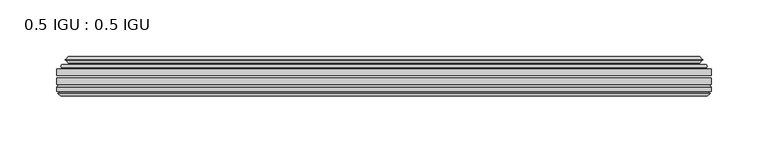
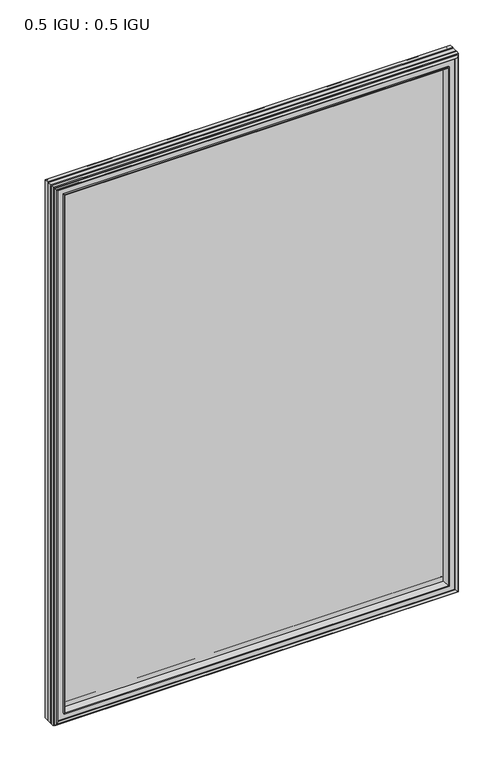
"""IFC4 building model written with IfcOpenShell, lengths in millimetres: plate geometry, 0.5 IGU : 0.5 IGU."""

from ifc_helpers import new_model, si_unit, frame, origin, place, context, project, spatial, polyline, ellipse_curve, outline, extrude, faceted_brep, source, transform, mapped, element, save
from ifc_brep_helpers import plane_surface, cylinder_surface, revolved_surface, advanced_brep


def plate_0_5_igu_0_5_igu_cc2ec8ab(model_context):
    return source(origin(), model_context, "Body", "SolidModel", [
        extrude(outline(polyline([(287.351675, -55.82285), (287.351675, -61.48705), (-287.3375, -61.48705), (-287.3375, -55.82285), (287.351675, -55.82285)])), frame((0.0, 0.0, -14.2875), z_axis=(0.0, 0.0, 1.0), x_axis=(1.0, 0.0, 0.0)), (0.0, 0.0, 1.0), 806.4537979),
        extrude(outline(polyline([(-287.3375, -69.05625), (-287.3375, -63.39205), (287.351675, -63.39205), (287.351675, -69.05625), (-287.3375, -69.05625)])), frame((0.0, 0.0, -14.2875), z_axis=(0.0, 0.0, 1.0), x_axis=(1.0, 0.0, 0.0)), (0.0, 0.0, 1.0), 806.4537979),
        advanced_brep(
        [(-283.2349626, -54.3724927, 788.0599626), (-282.1904378, -51.60645, 787.0154378), (-282.1904378, -51.60645, -9.1404378), (-283.2349626, -54.3724927, -10.1849626), (-281.598517, -55.82285, 786.423517), (-281.598517, -55.82285, -8.548517), (-273.05, -45.63745, 777.875), (-269.4672761, -55.82285, 774.2922761), (-269.4672761, -55.82285, 3.5827239), (-273.05, -45.63745, 0.0), (-278.2359109, -46.8185491, 783.0609109), (-278.2359109, -46.8185491, -5.1859109), (-277.4388893, -44.8183085, 782.2638893), (-277.4388893, -44.8183085, -4.3888893), (-279.7226111, -47.135817, 784.5476111), (-279.7226111, -47.135817, -6.6726111), (-279.7226111, -47.8489429, 784.5476111), (-279.7226111, -47.8489429, -6.6726111), (-277.4388893, -50.1664515, 782.2638893), (-277.4388893, -50.1664515, -4.3888893), (-278.2282501, -48.1854367, 783.0532501), (-278.2282501, -48.1854367, -5.1782501), (-275.7044379, -48.027045, 780.5294379), (-275.7044379, -48.027045, -2.6544379), (-274.6786217, -48.7147544, 779.5036217), (-274.6786217, -48.7147544, -1.6286217), (-274.7970288, -50.1092231, 779.6220288), (-274.7970288, -50.1092231, -1.7470288), (-275.3987748, -51.60645, 780.2237748), (-275.3987748, -51.60645, -2.3487748), (282.1904378, -51.60645, -9.1404378), (283.2349626, -54.3724927, -10.1849626), (281.598517, -55.82285, -8.548517), (269.4672761, -55.82285, 3.5827239), (273.05, -45.63745, 0.0), (278.2359109, -46.8185491, -5.1859109), (277.4388893, -44.8183085, -4.3888893), (279.7226111, -47.135817, -6.6726111), (279.7226111, -47.8489429, -6.6726111), (277.4388893, -50.1664515, -4.3888893), (278.2282501, -48.1854367, -5.1782501), (275.7044379, -48.027045, -2.6544379), (274.6786217, -48.7147544, -1.6286217), (274.7970288, -50.1092231, -1.7470288), (275.3987748, -51.60645, -2.3487748), (282.1904378, -51.60645, 787.0154378), (283.2349626, -54.3724927, 788.0599626), (281.598517, -55.82285, 786.423517), (269.4672761, -55.82285, 774.2922761), (273.05, -45.63745, 777.875), (278.2359109, -46.8185491, 783.0609109), (277.4388893, -44.8183085, 782.2638893), (279.7226111, -47.135817, 784.5476111), (279.7226111, -47.8489429, 784.5476111), (277.4388893, -50.1664515, 782.2638893), (278.2282501, -48.1854367, 783.0532501), (275.7044379, -48.027045, 780.5294379), (274.6786217, -48.7147544, 779.5036217), (274.7970288, -50.1092231, 779.6220288), (275.3987748, -51.60645, 780.2237748)],
        [
            (0, 1, ellipse_curve(frame((-282.1820703, -53.1898501, 787.0070703), z_axis=(-0.7071067811865475, 0.0, -0.7071067811865475), x_axis=(-0.7071067811865474, 0.0, 0.7071067811865476)), 2.2392971, 1.5834222)),
            (1, 2),
            (2, 3, ellipse_curve(frame((-282.1820703, -53.1898501, -9.1320703), z_axis=(-0.7071067811865475, 0.0, 0.7071067811865475), x_axis=(0.7071067811865474, 0.0, 0.7071067811865476)), 2.2392971, 1.5834222)),
            (3, 0),
            (4, 0),
            (3, 5),
            (5, 4),
            (6, 7, ellipse_curve(frame((-240.770246, -40.0058297, 745.595246), z_axis=(0.7071067811865475, 0.0, 0.7071067811865475), x_axis=(0.7071067811865474, 0.0, -0.7071067811865476)), 46.3399971, 32.7673262)),
            (7, 8),
            (8, 9, ellipse_curve(frame((-240.770246, -40.0058297, 32.279754), z_axis=(0.7071067811865475, 0.0, -0.7071067811865475), x_axis=(-0.7071067811865474, 0.0, -0.7071067811865476)), 46.3399971, 32.7673262)),
            (9, 6),
            (10, 6),
            (9, 11),
            (11, 10),
            (12, 10),
            (11, 13),
            (13, 12),
            (14, 12),
            (13, 15),
            (15, 14),
            (16, 14, ellipse_curve(frame((-279.3607729, -47.49238, 784.1857729), z_axis=(-0.7071067811865475, 0.0, -0.7071067811865475), x_axis=(-0.7071067811865474, 0.0, 0.7071067811865476)), 0.7184205, 0.508)),
            (15, 17, ellipse_curve(frame((-279.3607729, -47.49238, -6.3107729), z_axis=(-0.7071067811865475, 0.0, 0.7071067811865475), x_axis=(0.7071067811865474, 0.0, 0.7071067811865476)), 0.7184205, 0.508)),
            (17, 16),
            (18, 16),
            (17, 19),
            (19, 18),
            (20, 18),
            (19, 21),
            (21, 20),
            (22, 20),
            (21, 23),
            (23, 22),
            (24, 22, ellipse_curve(frame((-275.6408, -49.04105, 780.4658), z_axis=(0.7071067811865475, 0.0, 0.7071067811865475), x_axis=(0.7071067811865474, 0.0, -0.7071067811865476)), 1.436841, 1.016)),
            (23, 25, ellipse_curve(frame((-275.6408, -49.04105, -2.5908), z_axis=(0.7071067811865475, 0.0, -0.7071067811865475), x_axis=(-0.7071067811865474, 0.0, -0.7071067811865476)), 1.436841, 1.016)),
            (25, 24),
            (26, 24, ellipse_curve(frame((-277.0124, -49.21885, 781.8374), z_axis=(0.7071067811865475, 0.0, 0.7071067811865475), x_axis=(0.7071067811865474, 0.0, -0.7071067811865476)), 3.3765763, 2.3876)),
            (25, 27, ellipse_curve(frame((-277.0124, -49.21885, -3.9624), z_axis=(0.7071067811865475, 0.0, -0.7071067811865475), x_axis=(-0.7071067811865474, 0.0, -0.7071067811865476)), 3.3765763, 2.3876)),
            (27, 26),
            (28, 26),
            (27, 29),
            (29, 28),
            (2, 30),
            (30, 31, ellipse_curve(frame((282.1820703, -53.1898501, -9.1320703), z_axis=(-0.7071067811865475, 0.0, -0.7071067811865475), x_axis=(-0.7071067811865476, 0.0, 0.7071067811865474)), 2.2392971, 1.5834222)),
            (31, 3),
            (31, 32),
            (32, 5),
            (8, 33),
            (33, 34, ellipse_curve(frame((240.770246, -40.0058297, 32.279754), z_axis=(0.7071067811865475, 0.0, 0.7071067811865475), x_axis=(0.7071067811865476, 0.0, -0.7071067811865474)), 46.3399971, 32.7673262)),
            (34, 9),
            (34, 35),
            (35, 11),
            (35, 36),
            (36, 13),
            (36, 37),
            (37, 15),
            (37, 38, ellipse_curve(frame((279.3607729, -47.49238, -6.3107729), z_axis=(-0.7071067811865475, 0.0, -0.7071067811865475), x_axis=(-0.7071067811865476, 0.0, 0.7071067811865474)), 0.7184205, 0.508)),
            (38, 17),
            (38, 39),
            (39, 19),
            (39, 40),
            (40, 21),
            (40, 41),
            (41, 23),
            (41, 42, ellipse_curve(frame((275.6408, -49.04105, -2.5908), z_axis=(0.7071067811865475, 0.0, 0.7071067811865475), x_axis=(0.7071067811865476, 0.0, -0.7071067811865474)), 1.436841, 1.016)),
            (42, 25),
            (42, 43, ellipse_curve(frame((277.0124, -49.21885, -3.9624), z_axis=(0.7071067811865475, 0.0, 0.7071067811865475), x_axis=(0.7071067811865476, 0.0, -0.7071067811865474)), 3.3765763, 2.3876)),
            (43, 27),
            (43, 44),
            (44, 29),
            (30, 45),
            (45, 46, ellipse_curve(frame((282.1820703, -53.1898501, 787.0070703), z_axis=(0.7071067811865475, 0.0, -0.7071067811865475), x_axis=(-0.7071067811865474, 0.0, -0.7071067811865476)), 2.2392971, 1.5834222)),
            (46, 31),
            (46, 47),
            (47, 32),
            (33, 48),
            (48, 49, ellipse_curve(frame((240.770246, -40.0058297, 745.595246), z_axis=(-0.7071067811865475, 0.0, 0.7071067811865475), x_axis=(0.7071067811865474, 0.0, 0.7071067811865476)), 46.3399971, 32.7673262)),
            (49, 34),
            (49, 50),
            (50, 35),
            (50, 51),
            (51, 36),
            (51, 52),
            (52, 37),
            (52, 53, ellipse_curve(frame((279.3607729, -47.49238, 784.1857729), z_axis=(0.7071067811865475, 0.0, -0.7071067811865475), x_axis=(-0.7071067811865474, 0.0, -0.7071067811865476)), 0.7184205, 0.508)),
            (53, 38),
            (53, 54),
            (54, 39),
            (54, 55),
            (55, 40),
            (55, 56),
            (56, 41),
            (56, 57, ellipse_curve(frame((275.6408, -49.04105, 780.4658), z_axis=(-0.7071067811865475, 0.0, 0.7071067811865475), x_axis=(0.7071067811865474, 0.0, 0.7071067811865476)), 1.436841, 1.016)),
            (57, 42),
            (57, 58, ellipse_curve(frame((277.0124, -49.21885, 781.8374), z_axis=(-0.7071067811865475, 0.0, 0.7071067811865475), x_axis=(0.7071067811865474, 0.0, 0.7071067811865476)), 3.3765763, 2.3876)),
            (58, 43),
            (58, 59),
            (59, 44),
            (45, 1),
            (0, 46),
            (4, 47),
            (7, 48),
            (6, 49),
            (10, 50),
            (12, 51),
            (14, 52),
            (16, 53),
            (18, 54),
            (20, 55),
            (22, 56),
            (24, 57),
            (26, 58),
            (28, 59),
        ],
        [
            cylinder_surface(frame((-282.1820703, -53.1898501, 809.625), z_axis=(0.0, 0.0, 1.0), x_axis=(-1.0, 0.0, 0.0)), 1.5834222),
            plane_surface(frame((-283.2349626, -54.3724927, 788.0599626), z_axis=(-0.6632745773184306, -0.7483761320907135, 0.0), x_axis=(0.0, 0.0, -1.0))),
            revolved_surface(polyline([(-273.5375722, -40.0058297, -0.48757218957496207), (-273.5375722, -40.0058297, 778.362572189575)]), (-240.770246, -40.0058297, 809.625), (0.0, 0.0, -1.0)),
            plane_surface(frame((-273.05, -45.63745, 777.875), z_axis=(-0.2220649844278743, 0.975031867525902, 0.0), x_axis=(0.0, 0.0, -1.0))),
            plane_surface(frame((-278.2359109, -46.8185491, 783.0609109), z_axis=(0.928968268563027, -0.37015936568323066, 0.0), x_axis=(0.0, 0.0, -1.0))),
            plane_surface(frame((-277.4388893, -44.8183085, 782.2638893), z_axis=(-0.7122798501733482, 0.7018955869907096, 0.0), x_axis=(0.0, 0.0, -1.0))),
            cylinder_surface(frame((-279.3607729, -47.49238, 809.625), z_axis=(0.0, 0.0, 1.0), x_axis=(-1.0, 0.0, 0.0)), 0.508),
            plane_surface(frame((-279.7226111, -47.8489429, 784.5476111), z_axis=(-0.7122798501732925, -0.701895586990766, 0.0), x_axis=(0.0, 0.0, -1.0))),
            plane_surface(frame((-277.4388893, -50.1664515, 782.2638893), z_axis=(0.9289682685628707, 0.3701593656836228, 0.0), x_axis=(0.0, 0.0, -1.0))),
            plane_surface(frame((-278.2282501, -48.1854367, 783.0532501), z_axis=(0.0626357011928498, -0.9980364567169279, 0.0), x_axis=(0.0, 0.0, -1.0))),
            revolved_surface(polyline([(-276.65680000000003, -49.04105, -3.606800014586838), (-276.65680000000003, -49.04105, 781.4818000145868)]), (-275.6408, -49.04105, 809.625), (0.0, 0.0, -1.0)),
            revolved_surface(polyline([(-279.40000000000003, -49.21885, -6.3499999989237494), (-279.40000000000003, -49.21885, 784.2249999989237)]), (-277.0124, -49.21885, 809.625), (0.0, 0.0, -1.0)),
            plane_surface(frame((-274.7970288, -50.1092231, 779.6220288), z_axis=(-0.9278652925428184, 0.3729155385532094, 0.0), x_axis=(0.0, 0.0, -1.0))),
            cylinder_surface(frame((-304.8, -53.1898501, -9.1320703), z_axis=(-1.0, 0.0, 0.0), x_axis=(0.0, 0.0, -1.0)), 1.5834222),
            plane_surface(frame((-283.2349626, -54.3724927, -10.1849626), z_axis=(0.0, -0.7483761320907157, -0.6632745773184283), x_axis=(1.0, 0.0, 0.0))),
            revolved_surface(polyline([(273.537572189575, -40.0058297, -0.48757220000000245), (-273.5375721895749, -40.0058297, -0.48757220000000245)]), (-304.8, -40.0058297, 32.279754), (1.0, 0.0, 0.0)),
            plane_surface(frame((-273.05, -45.63745, 0.0), z_axis=(0.0, 0.9750318675259013, -0.22206498442787745), x_axis=(1.0, 0.0, 0.0))),
            plane_surface(frame((-278.2359109, -46.8185491, -5.1859109), z_axis=(0.0, -0.37015936568322766, 0.9289682685630283), x_axis=(1.0, 0.0, 0.0))),
            plane_surface(frame((-277.4388893, -44.8183085, -4.3888893), z_axis=(0.0, 0.7018955869907073, -0.7122798501733504), x_axis=(1.0, 0.0, 0.0))),
            cylinder_surface(frame((-304.8, -47.49238, -6.3107729), z_axis=(-1.0, 0.0, 0.0), x_axis=(0.0, 0.0, -1.0)), 0.508),
            plane_surface(frame((-279.7226111, -47.8489429, -6.6726111), z_axis=(0.0, -0.7018955869907684, -0.7122798501732903), x_axis=(1.0, 0.0, 0.0))),
            plane_surface(frame((-277.4388893, -50.1664515, -4.3888893), z_axis=(0.0, 0.37015936568362584, 0.9289682685628696), x_axis=(1.0, 0.0, 0.0))),
            plane_surface(frame((-278.2282501, -48.1854367, -5.1782501), z_axis=(0.0, -0.9980364567169276, 0.06263570119285301), x_axis=(1.0, 0.0, 0.0))),
            revolved_surface(polyline([(276.65680001458696, -49.04105, -3.6068000000000002), (-276.65680001458685, -49.04105, -3.6068000000000002)]), (-304.8, -49.04105, -2.5908), (1.0, 0.0, 0.0)),
            revolved_surface(polyline([(279.39999999892376, -49.21885, -6.35), (-279.3999999989238, -49.21885, -6.35)]), (-304.8, -49.21885, -3.9624), (1.0, 0.0, 0.0)),
            plane_surface(frame((-274.7970288, -50.1092231, -1.7470288), z_axis=(0.0, 0.3729155385532064, -0.9278652925428196), x_axis=(1.0, 0.0, 0.0))),
            cylinder_surface(frame((282.1820703, -53.1898501, -31.75), z_axis=(0.0, 0.0, -1.0), x_axis=(1.0, 0.0, 0.0)), 1.5834222),
            plane_surface(frame((283.2349626, -54.3724927, -10.1849626), z_axis=(0.6632745773184259, -0.7483761320907178, 0.0), x_axis=(0.0, 0.0, 1.0))),
            revolved_surface(polyline([(273.5375722, -40.0058297, 778.362572189575), (273.5375722, -40.0058297, -0.48757218957494075)]), (240.770246, -40.0058297, -31.75), (0.0, 0.0, 1.0)),
            plane_surface(frame((273.05, -45.63745, 0.0), z_axis=(0.22206498442788056, 0.9750318675259005, 0.0), x_axis=(0.0, 0.0, 1.0))),
            plane_surface(frame((278.2359109, -46.8185491, -5.1859109), z_axis=(-0.9289682685630295, -0.37015936568322466, 0.0), x_axis=(0.0, 0.0, 1.0))),
            plane_surface(frame((277.4388893, -44.8183085, -4.3888893), z_axis=(0.7122798501733526, 0.701895586990705, 0.0), x_axis=(0.0, 0.0, 1.0))),
            cylinder_surface(frame((279.3607729, -47.49238, -31.75), z_axis=(0.0, 0.0, -1.0), x_axis=(1.0, 0.0, 0.0)), 0.508),
            plane_surface(frame((279.7226111, -47.8489429, -6.6726111), z_axis=(0.712279850173288, -0.7018955869907706, 0.0), x_axis=(0.0, 0.0, 1.0))),
            plane_surface(frame((277.4388893, -50.1664515, -4.3888893), z_axis=(-0.9289682685628684, 0.37015936568362884, 0.0), x_axis=(0.0, 0.0, 1.0))),
            plane_surface(frame((278.2282501, -48.1854367, -5.1782501), z_axis=(-0.06263570119285623, -0.9980364567169274, 0.0), x_axis=(0.0, 0.0, 1.0))),
            revolved_surface(polyline([(276.65680000000003, -49.04105, 781.4818000145868), (276.65680000000003, -49.04105, -3.606800014586863)]), (275.6408, -49.04105, -31.75), (0.0, 0.0, 1.0)),
            revolved_surface(polyline([(279.40000000000003, -49.21885, 784.2249999989237), (279.40000000000003, -49.21885, -6.349999998923781)]), (277.0124, -49.21885, -31.75), (0.0, 0.0, 1.0)),
            plane_surface(frame((274.7970288, -50.1092231, -1.7470288), z_axis=(0.9278652925428208, 0.3729155385532034, 0.0), x_axis=(0.0, 0.0, 1.0))),
            cylinder_surface(frame((304.8, -53.1898501, 787.0070703), z_axis=(1.0, 0.0, 0.0), x_axis=(0.0, 0.0, 1.0)), 1.5834222),
            plane_surface(frame((283.2349626, -54.3724927, 788.0599626), z_axis=(0.0, -0.7483761320907157, 0.6632745773184283), x_axis=(-1.0, 0.0, 0.0))),
            plane_surface(frame((281.598517, -55.82285, 786.423517), z_axis=(0.0, -1.0, 0.0), x_axis=(-1.0, 0.0, 0.0))),
            revolved_surface(polyline([(-273.537572189575, -40.0058297, 778.3625721999999), (273.5375721895749, -40.0058297, 778.3625721999999)]), (304.8, -40.0058297, 745.595246), (-1.0, 0.0, 0.0)),
            plane_surface(frame((273.05, -45.63745, 777.875), z_axis=(0.0, 0.9750318675259012, 0.22206498442787742), x_axis=(-1.0, 0.0, 0.0))),
            plane_surface(frame((278.2359109, -46.8185491, 783.0609109), z_axis=(0.0, -0.37015936568322766, -0.9289682685630283), x_axis=(-1.0, 0.0, 0.0))),
            plane_surface(frame((277.4388893, -44.8183085, 782.2638893), z_axis=(0.0, 0.7018955869907073, 0.7122798501733504), x_axis=(-1.0, 0.0, 0.0))),
            cylinder_surface(frame((304.8, -47.49238, 784.1857729), z_axis=(1.0, 0.0, 0.0), x_axis=(0.0, 0.0, 1.0)), 0.508),
            plane_surface(frame((279.7226111, -47.8489429, 784.5476111), z_axis=(0.0, -0.7018955869907684, 0.7122798501732903), x_axis=(-1.0, 0.0, 0.0))),
            plane_surface(frame((277.4388893, -50.1664515, 782.2638893), z_axis=(0.0, 0.37015936568362584, -0.9289682685628696), x_axis=(-1.0, 0.0, 0.0))),
            plane_surface(frame((278.2282501, -48.1854367, 783.0532501), z_axis=(0.0, -0.9980364567169276, -0.06263570119285301), x_axis=(-1.0, 0.0, 0.0))),
            revolved_surface(polyline([(-276.65680001458696, -49.04105, 781.4817999999999), (276.65680001458685, -49.04105, 781.4817999999999)]), (304.8, -49.04105, 780.4658), (-1.0, 0.0, 0.0)),
            revolved_surface(polyline([(-279.39999999892376, -49.21885, 784.225), (279.3999999989238, -49.21885, 784.225)]), (304.8, -49.21885, 781.8374), (-1.0, 0.0, 0.0)),
            plane_surface(frame((274.7970288, -50.1092231, 779.6220288), z_axis=(0.0, 0.3729155385532064, 0.9278652925428196), x_axis=(-1.0, 0.0, 0.0))),
            plane_surface(frame((275.3987748, -51.60645, 780.2237748), z_axis=(0.0, 1.0, 0.0), x_axis=(-1.0, 0.0, 0.0))),
        ],
        [
            (0, [[1, 2, 3, 4]]),
            (1, [[5, -4, 6, 7]]),
            (2, [[8, 9, 10, 11]]),
            (3, [[12, -11, 13, 14]]),
            (4, [[15, -14, 16, 17]]),
            (5, [[18, -17, 19, 20]]),
            (6, [[21, -20, 22, 23]]),
            (7, [[24, -23, 25, 26]]),
            (8, [[27, -26, 28, 29]]),
            (9, [[30, -29, 31, 32]]),
            (10, [[33, -32, 34, 35]]),
            (11, [[36, -35, 37, 38]]),
            (12, [[39, -38, 40, 41]]),
            (13, [[-3, 42, 43, 44]]),
            (14, [[-6, -44, 45, 46]]),
            (15, [[-10, 47, 48, 49]]),
            (16, [[-13, -49, 50, 51]]),
            (17, [[-16, -51, 52, 53]]),
            (18, [[-19, -53, 54, 55]]),
            (19, [[-22, -55, 56, 57]]),
            (20, [[-25, -57, 58, 59]]),
            (21, [[-28, -59, 60, 61]]),
            (22, [[-31, -61, 62, 63]]),
            (23, [[-34, -63, 64, 65]]),
            (24, [[-37, -65, 66, 67]]),
            (25, [[-40, -67, 68, 69]]),
            (26, [[-43, 70, 71, 72]]),
            (27, [[-45, -72, 73, 74]]),
            (28, [[-48, 75, 76, 77]]),
            (29, [[-50, -77, 78, 79]]),
            (30, [[-52, -79, 80, 81]]),
            (31, [[-54, -81, 82, 83]]),
            (32, [[-56, -83, 84, 85]]),
            (33, [[-58, -85, 86, 87]]),
            (34, [[-60, -87, 88, 89]]),
            (35, [[-62, -89, 90, 91]]),
            (36, [[-64, -91, 92, 93]]),
            (37, [[-66, -93, 94, 95]]),
            (38, [[-68, -95, 96, 97]]),
            (39, [[-71, 98, -1, 99]]),
            (40, [[-73, -99, -5, 100]]),
            (41, [[-46, -74, -100, -7], [101, -75, -47, -9]]),
            (42, [[-76, -101, -8, 102]]),
            (43, [[-78, -102, -12, 103]]),
            (44, [[-80, -103, -15, 104]]),
            (45, [[-82, -104, -18, 105]]),
            (46, [[-84, -105, -21, 106]]),
            (47, [[-86, -106, -24, 107]]),
            (48, [[-88, -107, -27, 108]]),
            (49, [[-90, -108, -30, 109]]),
            (50, [[-92, -109, -33, 110]]),
            (51, [[-94, -110, -36, 111]]),
            (52, [[-96, -111, -39, 112]]),
            (53, [[-98, -70, -42, -2], [-69, -97, -112, -41]]),
        ],
    ),
        faceted_brep([(-269.1957827, -69.05625, 774.0207827), (-271.7620798, -77.94625, 776.5870798), (-271.7620798, -77.94625, 1.2879202), (-269.1957827, -69.05625, 3.8542173), (-287.3502, -71.2633102, 792.1752), (-285.1431398, -69.05625, 789.9681398), (-285.1431398, -69.05625, -12.0931398), (-287.3502, -71.2633102, -14.3002), (-287.3502, -75.40625, 792.1752), (-287.3502, -75.40625, -14.3002), (-284.9311775, -76.58989, 789.7561775), (-285.8008, -75.40625, 790.6258), (-285.8008, -75.40625, -12.7508), (-284.9311775, -76.58989, -11.8811775), (-284.734, -77.8875884, 789.559), (-284.734, -77.8875884, -11.684), (-285.70966, -77.3578917, 790.53466), (-285.70966, -77.3578917, -12.65966), (-284.1752, -79.1749663, 789.0002), (-286.5023305, -77.3578917, 791.3273305), (-286.5023305, -77.3578917, -13.4523305), (-284.1752, -79.1749663, -11.1252), (-281.8480695, -77.3578917, 786.6730695), (-281.8480695, -77.3578917, -8.7980695), (-283.6164, -77.8875884, 788.4414), (-282.64074, -77.3578917, 787.46574), (-282.64074, -77.3578917, -9.59074), (-283.6164, -77.8875884, -10.5664), (-283.4192225, -76.58989, 788.2442225), (-283.4192225, -76.58989, -10.3692225), (-282.5496, -75.40625, 787.3746), (-282.5496, -75.40625, -9.4996), (-273.4013667, -77.94625, 778.2263667), (-272.8722, -75.40625, 777.6972), (-272.8722, -75.40625, 0.1778), (-273.4013667, -77.94625, -0.3513667), (271.7620798, -77.94625, 1.2879202), (269.1957827, -69.05625, 3.8542173), (285.1431398, -69.05625, -12.0931398), (287.3502, -71.2633102, -14.3002), (287.3502, -75.40625, -14.3002), (285.8008, -75.40625, -12.7508), (284.9311775, -76.58989, -11.8811775), (284.734, -77.8875884, -11.684), (285.70966, -77.3578917, -12.65966), (286.5023305, -77.3578917, -13.4523305), (284.1752, -79.1749663, -11.1252), (281.8480695, -77.3578917, -8.7980695), (282.64074, -77.3578917, -9.59074), (283.6164, -77.8875884, -10.5664), (283.4192225, -76.58989, -10.3692225), (282.5496, -75.40625, -9.4996), (272.8722, -75.40625, 0.1778), (273.4013667, -77.94625, -0.3513667), (271.7620798, -77.94625, 776.5870798), (269.1957827, -69.05625, 774.0207827), (285.1431398, -69.05625, 789.9681398), (287.3502, -71.2633102, 792.1752), (287.3502, -75.40625, 792.1752), (285.8008, -75.40625, 790.6258), (284.9311775, -76.58989, 789.7561775), (284.734, -77.8875884, 789.559), (285.70966, -77.3578917, 790.53466), (286.5023305, -77.3578917, 791.3273305), (284.1752, -79.1749663, 789.0002), (281.8480695, -77.3578917, 786.6730695), (282.64074, -77.3578917, 787.46574), (283.6164, -77.8875884, 788.4414), (283.4192225, -76.58989, 788.2442225), (282.5496, -75.40625, 787.3746), (272.8722, -75.40625, 777.6972), (273.4013667, -77.94625, 778.2263667)], [[[0, 1, 2, 3]], [[4, 5, 6, 7]], [[8, 4, 7, 9]], [[10, 11, 12, 13]], [[14, 10, 13, 15]], [[16, 14, 15, 17]], [[18, 19, 20, 21]], [[22, 18, 21, 23]], [[24, 25, 26, 27]], [[28, 24, 27, 29]], [[30, 28, 29, 31]], [[32, 33, 34, 35]], [[3, 2, 36, 37]], [[7, 6, 38, 39]], [[9, 7, 39, 40]], [[13, 12, 41, 42]], [[15, 13, 42, 43]], [[17, 15, 43, 44]], [[21, 20, 45, 46]], [[23, 21, 46, 47]], [[27, 26, 48, 49]], [[29, 27, 49, 50]], [[31, 29, 50, 51]], [[35, 34, 52, 53]], [[37, 36, 54, 55]], [[39, 38, 56, 57]], [[40, 39, 57, 58]], [[42, 41, 59, 60]], [[43, 42, 60, 61]], [[44, 43, 61, 62]], [[46, 45, 63, 64]], [[47, 46, 64, 65]], [[49, 48, 66, 67]], [[50, 49, 67, 68]], [[51, 50, 68, 69]], [[53, 52, 70, 71]], [[55, 54, 1, 0]], [[5, 56, 38, 6], [3, 37, 55, 0]], [[57, 56, 5, 4]], [[58, 57, 4, 8]], [[9, 40, 58, 8], [11, 59, 41, 12]], [[60, 59, 11, 10]], [[61, 60, 10, 14]], [[62, 61, 14, 16]], [[19, 63, 45, 20], [17, 44, 62, 16]], [[64, 63, 19, 18]], [[65, 64, 18, 22]], [[25, 66, 48, 26], [23, 47, 65, 22]], [[67, 66, 25, 24]], [[68, 67, 24, 28]], [[69, 68, 28, 30]], [[31, 51, 69, 30], [33, 70, 52, 34]], [[71, 70, 33, 32]], [[35, 53, 71, 32], [1, 54, 36, 2]]]),
    ])


if __name__ == "__main__":
    model = new_model("IFC4")
    model_context = context("Model", 3, world=origin())
    ifc_project = project(units=[si_unit("LENGTHUNIT", "METRE", prefix="MILLI")], contexts=[model_context])
    site = spatial("IfcSite", under=ifc_project)
    building = spatial("IfcBuilding", under=site)
    placement = place(None, origin())
    plate_0_5_igu_0_5_igu_shape = plate_0_5_igu_0_5_igu_cc2ec8ab(model_context)
    element("IfcPlate", 1, ObjectType="0.5 IGU : 0.5 IGU", at=placement, inside=building, context=model_context, shape_type="MappedRepresentation", body=[
        mapped(plate_0_5_igu_0_5_igu_shape, transform((0.0, 0.0, 0.0), x_axis=(1.0, 0.0, 0.0), y_axis=(0.0, 1.0, 0.0), z_axis=(0.0, 0.0, 1.0))),
    ])
    save(model, "model.ifc")
